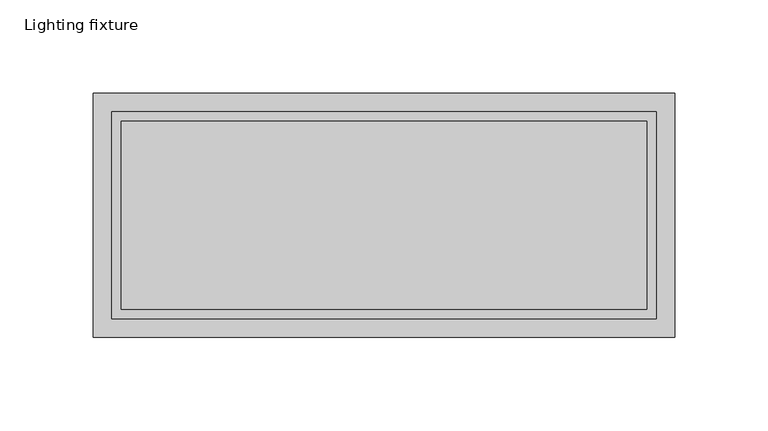
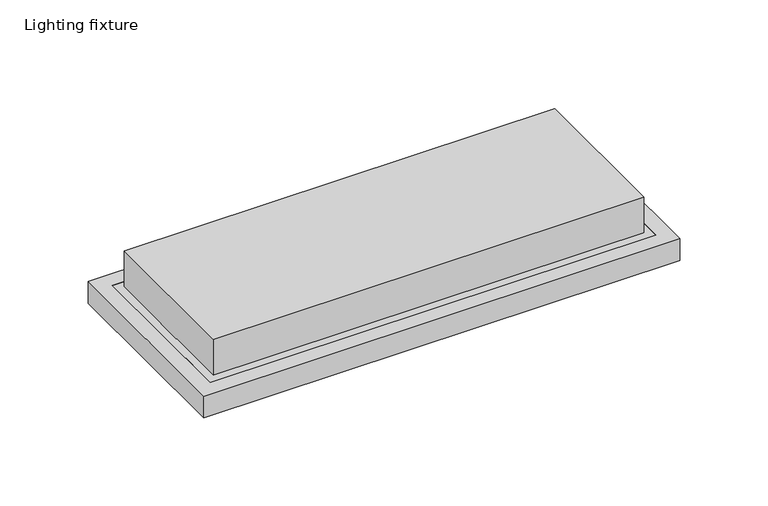
"""IFC4 building model written with IfcOpenShell, lengths in millimetres: light fixture geometry, Lighting fixture."""

from ifc_helpers import new_model, si_unit, frame, origin, place, context, project, spatial, polyline, outline, extrude, faceted_brep, source, transform, mapped, element, save


def lighting_fixture_f23e843e(model_context):
    return source(origin(), model_context, "Body", "SolidModel", [
        extrude(outline(polyline([(-156.0, -65.5), (-156.0, 65.5), (156.0, 65.5), (156.0, -65.5), (-156.0, -65.5)]), holes=[polyline([(146.0, -55.5), (146.0, 55.5), (-146.0, 55.5), (-146.0, -55.5), (146.0, -55.5)])]), frame((0.0, 0.0, -40.0), z_axis=(0.0, 0.0, 1.0), x_axis=(1.0, 0.0, 0.0)), (0.0, 0.0, 1.0), 15.0),
        faceted_brep([(146.0, 55.5, -40.0), (146.0, -55.5, -40.0), (-146.0, -55.5, -40.0), (-146.0, 55.5, -40.0), (141.0, 0.0, -40.0), (141.0, 50.9807621, -40.0), (-141.0, 50.9807621, -40.0), (-141.0, 0.0, -40.0), (-141.0, -50.9807621, -40.0), (141.0, -50.9807621, -40.0), (146.0, 55.5, -25.0), (-146.0, 55.5, -25.0), (-146.0, -55.5, -25.0), (146.0, -55.5, -25.0), (141.0, 0.0, -25.0), (141.0, -8.7632033, -25.0), (-141.0, -8.7632033, -25.0), (-141.0, 0.0, -25.0), (-141.0, 8.7632033, -25.0), (141.0, 8.7632033, -25.0), (141.0, -38.3012702, -32.6794919), (141.0, -28.3012702, -32.6794919), (141.0, 28.3012702, -32.6794919), (141.0, 38.3012702, -32.6794919), (-141.0, 38.3012702, -32.6794919), (-141.0, 28.3012702, -32.6794919), (-141.0, -28.3012702, -32.6794919), (-141.0, -38.3012702, -32.6794919)], [[[0, 1, 2, 3], [4, 5, 6, 7, 8, 9]], [[10, 11, 12, 13], [14, 15, 16, 17, 18, 19]], [[0, 3, 11, 10]], [[3, 2, 12, 11]], [[2, 1, 13, 12]], [[1, 0, 10, 13]], [[9, 20, 21, 15, 14, 19, 22, 23, 5, 4]], [[6, 24, 25, 18, 17, 16, 26, 27, 8, 7]], [[5, 23, 24, 6]], [[23, 22, 25, 24]], [[22, 19, 18, 25]], [[15, 21, 26, 16]], [[21, 20, 27, 26]], [[20, 9, 8, 27]]]),
        extrude(outline(polyline([(-141.0, 50.5), (141.0, 50.5), (141.0, -50.5), (-141.0, -50.5), (-141.0, 50.5)])), frame((0.0, 0.0, -25.0), z_axis=(0.0, 0.0, 1.0), x_axis=(1.0, 0.0, 0.0)), (0.0, 0.0, 1.0), 25.0),
    ])


if __name__ == "__main__":
    model = new_model("IFC4")
    model_context = context("Model", 3, world=origin())
    ifc_project = project(units=[si_unit("LENGTHUNIT", "METRE", prefix="MILLI")], contexts=[model_context])
    site = spatial("IfcSite", under=ifc_project)
    building = spatial("IfcBuilding", under=site)
    placement = place(None, origin())
    lighting_fixture_shape = lighting_fixture_f23e843e(model_context)
    element("IfcLightFixture", 1, ObjectType="Lighting fixture", at=placement, inside=building, context=model_context, shape_type="MappedRepresentation", body=[
        mapped(lighting_fixture_shape, transform((0.0, 0.0, 0.0), x_axis=(1.0, 0.0, 0.0), y_axis=(0.0, 1.0, 0.0), z_axis=(0.0, 0.0, 1.0))),
    ])
    save(model, "model.ifc")
